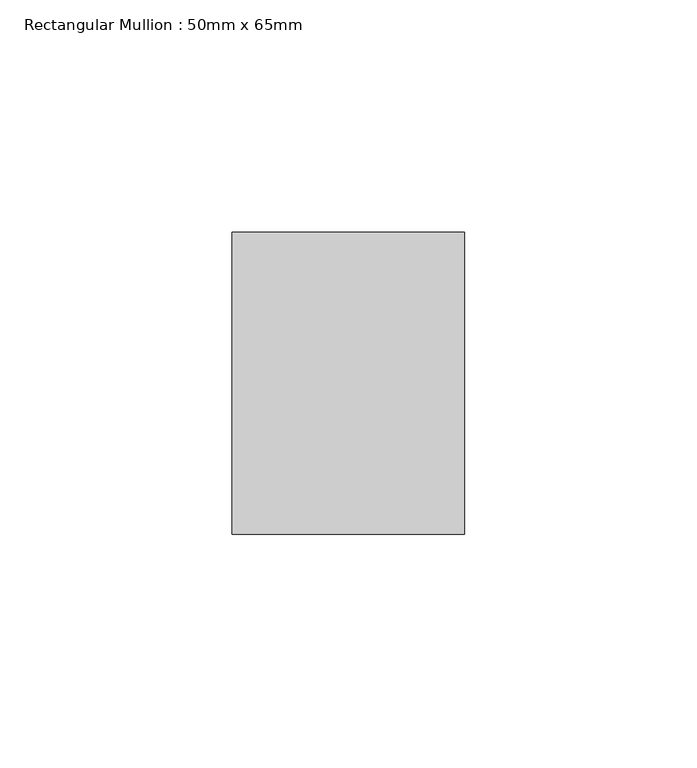
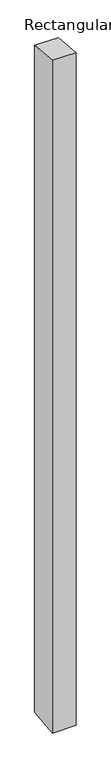
"""IFC4 building model written with IfcOpenShell, lengths in millimetres: member geometry, Rectangular Mullion : 50mm x 65mm."""

from ifc_helpers import new_model, si_unit, origin, place, context, project, spatial, faceted_brep, source, transform, mapped, element, save


def rectangular_mullion_50mm_x_65mm_3acc019f(model_context):
    return source(origin(), model_context, "Body", "Brep", [
        faceted_brep([(-25.0, 32.5, -2.9911486), (25.0, 32.5, -2.991162), (25.0, 32.5, -1496.6283259), (-25.0, 32.5, -1496.6283411), (-25.0, -32.5, 2.991162), (-25.0, -32.5, -1503.3717025), (25.0, -32.5, 2.9911486), (25.0, -32.5, -1503.3716874)], [[[0, 1, 2, 3]], [[4, 0, 3, 5]], [[6, 4, 5, 7]], [[1, 6, 7, 2]], [[1, 0, 4, 6]], [[2, 7, 5, 3]]]),
    ])


if __name__ == "__main__":
    model = new_model("IFC4")
    model_context = context("Model", 3, world=origin())
    ifc_project = project(units=[si_unit("LENGTHUNIT", "METRE", prefix="MILLI")], contexts=[model_context])
    site = spatial("IfcSite", under=ifc_project)
    building = spatial("IfcBuilding", under=site)
    placement = place(None, origin())
    rectangular_mullion_50mm_x_65mm_shape = rectangular_mullion_50mm_x_65mm_3acc019f(model_context)
    element("IfcMember", 1, ObjectType="Rectangular Mullion : 50mm x 65mm", at=placement, inside=building, context=model_context, shape_type="MappedRepresentation", body=[
        mapped(rectangular_mullion_50mm_x_65mm_shape, transform((0.0, 0.0, 0.0), x_axis=(1.0, 0.0, 0.0), y_axis=(0.0, 1.0, 0.0), z_axis=(0.0, 0.0, 1.0))),
    ])
    save(model, "model.ifc")
